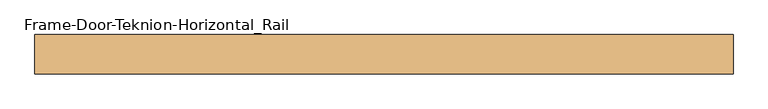
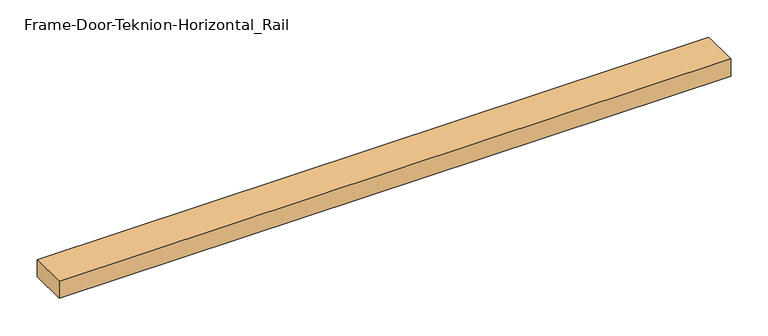
"""IFC4 building model written with IfcOpenShell, lengths in millimetres: door geometry, Frame-Door-Teknion-Horizontal_Rail."""

from ifc_helpers import new_model, si_unit, frame, origin, place, context, project, spatial, polyline, outline, extrude, source, transform, mapped, element, save


def frame_door_teknion_horizontal_rail_67457fb7(model_context):
    return source(origin(), model_context, "Body", "SweptSolid", [
        extrude(outline(polyline([(-519.4101562, 29.2199219), (519.4101563, 29.2199219), (519.4101563, -29.2199219), (-519.4101562, -29.2199219), (-519.4101562, 29.2199219)])), frame((0.0, 0.0, -13.9898438), z_axis=(0.0, 0.0, 1.0), x_axis=(1.0, 0.0, 0.0)), (0.0, 0.0, 1.0), 27.9796875),
    ])


if __name__ == "__main__":
    model = new_model("IFC4")
    model_context = context("Model", 3, world=origin())
    ifc_project = project(units=[si_unit("LENGTHUNIT", "METRE", prefix="MILLI")], contexts=[model_context])
    site = spatial("IfcSite", under=ifc_project)
    building = spatial("IfcBuilding", under=site)
    placement = place(None, origin())
    frame_door_teknion_horizontal_rail_shape = frame_door_teknion_horizontal_rail_67457fb7(model_context)
    element("IfcDoor", 1, ObjectType="Frame-Door-Teknion-Horizontal_Rail", at=placement, inside=building, context=model_context, shape_type="MappedRepresentation", body=[
        mapped(frame_door_teknion_horizontal_rail_shape, transform((0.0, 0.0, 0.0), x_axis=(1.0, 0.0, 0.0), y_axis=(0.0, 1.0, 0.0), z_axis=(0.0, 0.0, 1.0))),
    ])
    save(model, "model.ifc")
